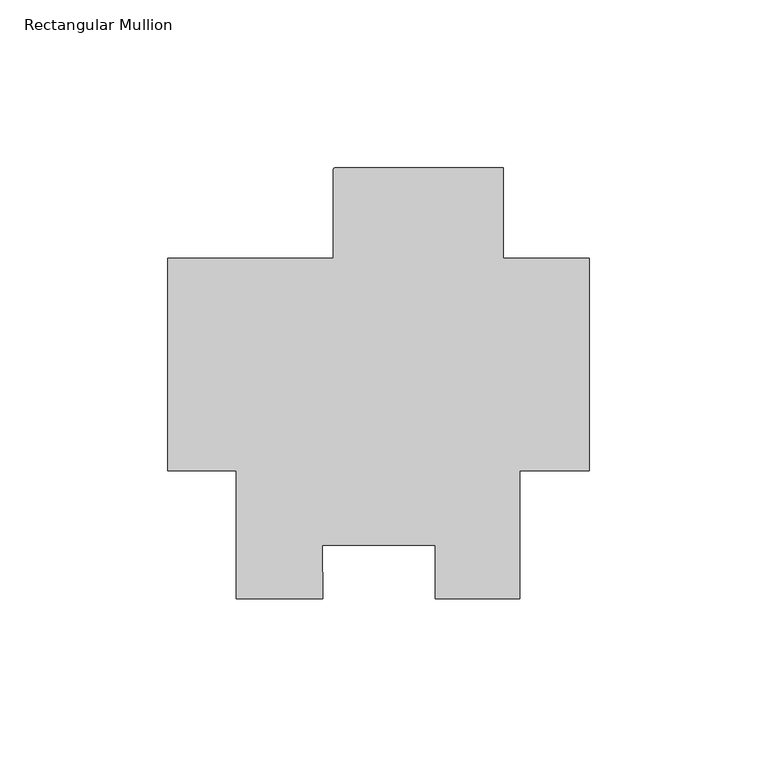
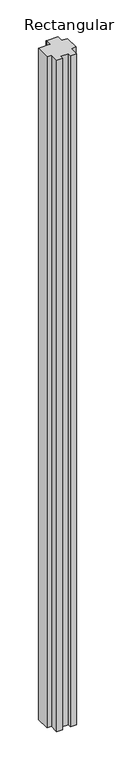
"""IFC4 building model written with IfcOpenShell, lengths in millimetres: member geometry, Rectangular Mullion."""

from ifc_helpers import new_model, si_unit, point, frame, frame_2d, origin, place, context, project, spatial, polyline, circle_curve, trimmed, segment, composite_curve, outline, extrude, source, transform, mapped, element, save


def rectangular_mullion_3cdc6b78(model_context):
    return source(origin(), model_context, "Body", "SweptSolid", [
        extrude(outline(composite_curve([segment(polyline([(-25.577927, 58.7248), (-25.577927, 31.75), (0.0, 31.75), (0.0, -31.75), (-20.6735973, -31.75), (-20.6735973, -69.85), (-45.9670891, -69.85), (-45.9670891, -53.9624751), (-79.6350624, -53.9624751), (-79.4405765, -69.8732034), (-105.2447888, -69.8732034), (-105.2447888, -31.75), (-125.7808, -31.75), (-125.7808, 31.75), (-76.377927, 31.75), (-76.377927, 57.9374)]), True, "CONTINUOUS"), segment(trimmed(circle_curve(frame_2d((-75.590527, 57.9374)), 0.7874), [point((-76.377927, 57.9374))], [point((-75.590527, 58.7248))], False, "CARTESIAN"), True, "CONTINUOUS"), segment(polyline([(-75.590527, 58.7248), (-25.577927, 58.7248)]), True, "CONTINUOUS")], self_intersect=False)), frame((0.0, 0.0, -3048.0), z_axis=(0.0, 0.0, 1.0), x_axis=(1.0, 0.0, 0.0)), (0.0, 0.0, 1.0), 3048.0),
    ])


if __name__ == "__main__":
    model = new_model("IFC4")
    model_context = context("Model", 3, world=origin())
    ifc_project = project(units=[si_unit("LENGTHUNIT", "METRE", prefix="MILLI")], contexts=[model_context])
    site = spatial("IfcSite", under=ifc_project)
    building = spatial("IfcBuilding", under=site)
    placement = place(None, origin())
    rectangular_mullion_shape = rectangular_mullion_3cdc6b78(model_context)
    element("IfcMember", 1, ObjectType="Rectangular Mullion", at=placement, inside=building, context=model_context, shape_type="MappedRepresentation", body=[
        mapped(rectangular_mullion_shape, transform((0.0, 0.0, 0.0), x_axis=(1.0, 0.0, 0.0), y_axis=(0.0, 1.0, 0.0), z_axis=(0.0, 0.0, 1.0))),
    ])
    save(model, "model.ifc")
